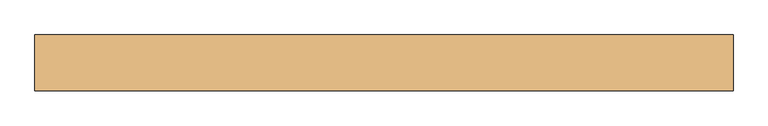
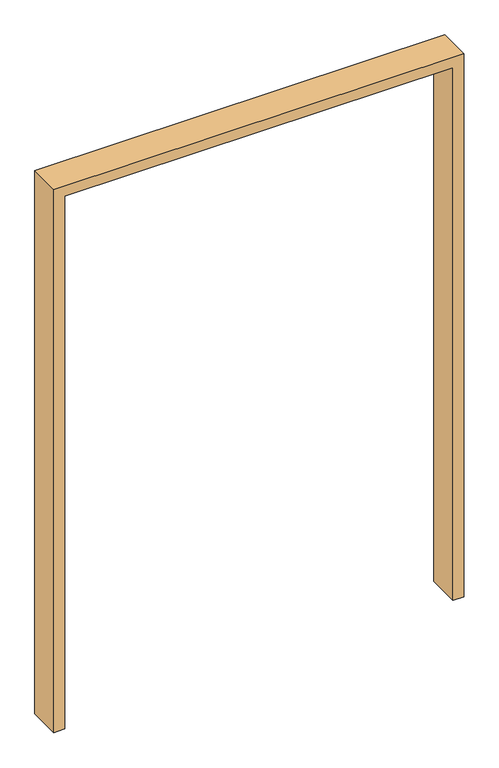
"""IFC4 building model written with IfcOpenShell, lengths in millimetres: door geometry."""

from ifc_helpers import new_model, si_unit, frame, origin, place, context, project, spatial, polyline, outline, extrude, source, transform, mapped, element, save


def door_87c4cd22(model_context):
    return source(origin(), model_context, "Body", "SweptSolid", [
        extrude(outline(polyline([(0.0, -750.0), (0.0, -710.0), (2060.0, -710.0), (2060.0, 710.0), (0.0, 710.0), (0.0, 750.0), (2100.0, 750.0), (2100.0, -750.0), (0.0, -750.0)])), frame((0.0, -60.0, 0.0), z_axis=(0.0, 1.0, 0.0), x_axis=(0.0, 0.0, 1.0)), (0.0, 0.0, 1.0), 120.0),
    ])


if __name__ == "__main__":
    model = new_model("IFC4")
    model_context = context("Model", 3, world=origin())
    ifc_project = project(units=[si_unit("LENGTHUNIT", "METRE", prefix="MILLI")], contexts=[model_context])
    site = spatial("IfcSite", under=ifc_project)
    building = spatial("IfcBuilding", under=site)
    placement = place(None, origin())
    door_shape = door_87c4cd22(model_context)
    element("IfcDoor", 1, at=placement, inside=building, context=model_context, shape_type="MappedRepresentation", body=[
        mapped(door_shape, transform((0.0, 0.0, 0.0), x_axis=(1.0, 0.0, 0.0), y_axis=(0.0, 1.0, 0.0), z_axis=(0.0, 0.0, 1.0))),
    ])
    save(model, "model.ifc")
